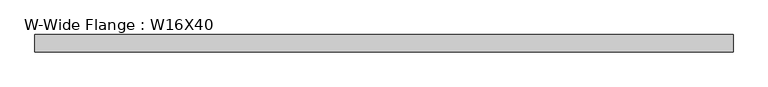
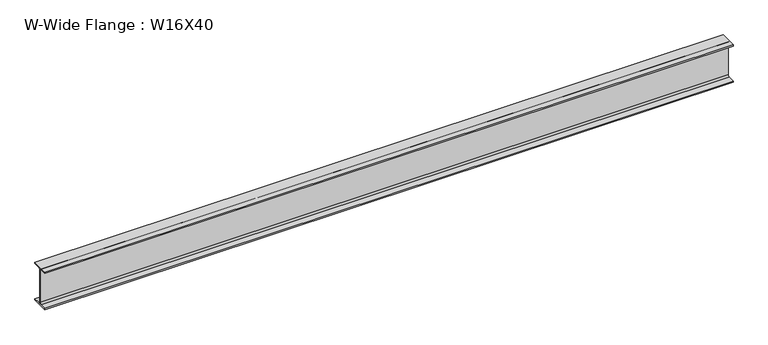
"""IFC4 building model written with IfcOpenShell, lengths in millimetres: beam geometry, W-Wide Flange : W16X40."""

from ifc_helpers import new_model, si_unit, point, frame, frame_2d, origin, place, context, project, spatial, polyline, circle_curve, trimmed, segment, composite_curve, outline, extrude, source, transform, mapped, element, save


def w_wide_flange_w16x40_120a5bb0(model_context):
    return source(origin(), model_context, "Body", "SweptSolid", [
        extrude(outline(composite_curve([segment(polyline([(-88.9, -190.4), (-21.25, -190.4)]), True, "CONTINUOUS"), segment(trimmed(circle_curve(frame_2d((-21.25, -173.0)), 17.4), [point((-21.25, -190.4))], [point((-3.85, -173.0))], True, "CARTESIAN"), True, "CONTINUOUS"), segment(polyline([(-3.85, -173.0), (-3.85, 173.0)]), True, "CONTINUOUS"), segment(trimmed(circle_curve(frame_2d((-21.25, 173.0)), 17.4), [point((-3.85, 173.0))], [point((-21.25, 190.4))], True, "CARTESIAN"), True, "CONTINUOUS"), segment(polyline([(-21.25, 190.4), (-88.9, 190.4), (-88.9, 203.2), (88.9, 203.2), (88.9, 190.4), (21.25, 190.4)]), True, "CONTINUOUS"), segment(trimmed(circle_curve(frame_2d((21.25, 173.0)), 17.4), [point((21.25, 190.4))], [point((3.85, 173.0))], True, "CARTESIAN"), True, "CONTINUOUS"), segment(polyline([(3.85, 173.0), (3.85, -173.0)]), True, "CONTINUOUS"), segment(trimmed(circle_curve(frame_2d((21.25, -173.0)), 17.4), [point((3.85, -173.0))], [point((21.25, -190.4))], True, "CARTESIAN"), True, "CONTINUOUS"), segment(polyline([(21.25, -190.4), (88.9, -190.4), (88.9, -203.2), (-88.9, -203.2), (-88.9, -190.4)]), True, "CONTINUOUS")], self_intersect=False)), frame((-1540.3716971, 0.0, 0.0), z_axis=(1.0, 0.0, 0.0), x_axis=(0.0, 1.0, 0.0)), (0.0, 0.0, 1.0), 7070.4277892),
    ])


if __name__ == "__main__":
    model = new_model("IFC4")
    model_context = context("Model", 3, world=origin())
    ifc_project = project(units=[si_unit("LENGTHUNIT", "METRE", prefix="MILLI")], contexts=[model_context])
    site = spatial("IfcSite", under=ifc_project)
    building = spatial("IfcBuilding", under=site)
    placement = place(None, origin())
    w_wide_flange_w16x40_shape = w_wide_flange_w16x40_120a5bb0(model_context)
    element("IfcBeam", 1, ObjectType="W-Wide Flange : W16X40", at=placement, inside=building, context=model_context, shape_type="MappedRepresentation", body=[
        mapped(w_wide_flange_w16x40_shape, transform((0.0, 0.0, 0.0), x_axis=(1.0, 0.0, 0.0), y_axis=(0.0, 1.0, 0.0), z_axis=(0.0, 0.0, 1.0))),
    ])
    save(model, "model.ifc")
